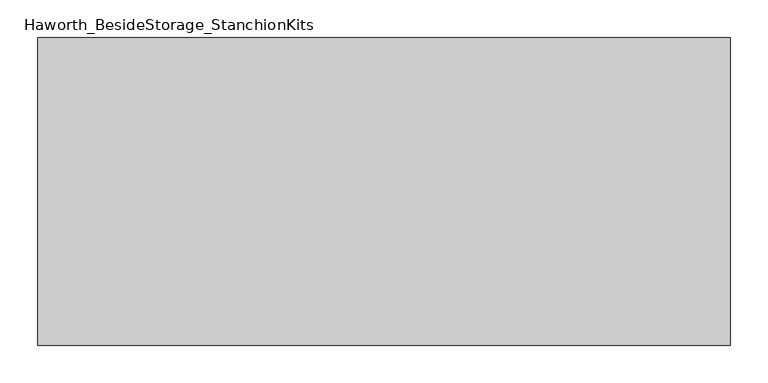
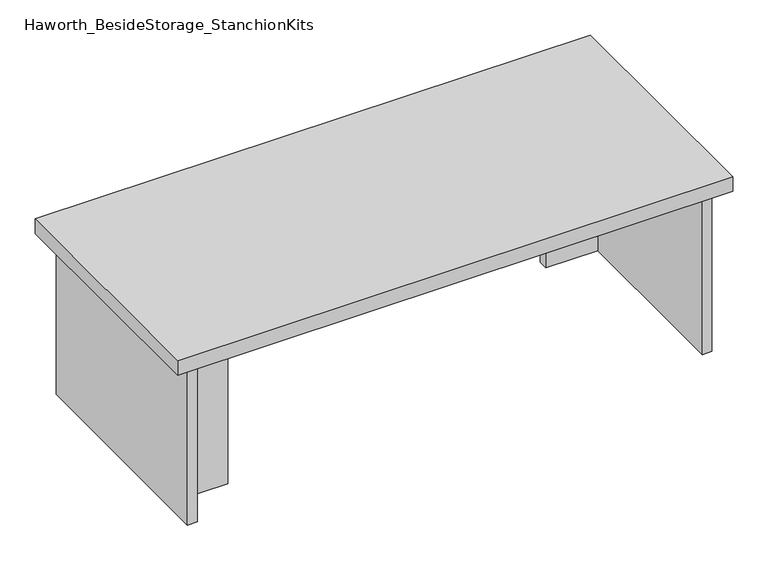
"""IFC4 building model written with IfcOpenShell, lengths in millimetres: furniture geometry, Haworth_BesideStorage_StanchionKits."""

from ifc_helpers import new_model, si_unit, frame, origin, place, context, project, spatial, polyline, outline, extrude, source, transform, mapped, element, save


def haworth_besidestorage_stanchionkits_9893c48e(model_context):
    return source(origin(), model_context, "Body", "SweptSolid", [
        extrude(outline(polyline([(619.125, 0.0), (619.125, -406.4), (-295.275, -406.4), (-295.275, 0.0), (619.125, 0.0)])), frame((0.0, 0.0, 711.2), z_axis=(0.0, 0.0, 1.0), x_axis=(1.0, 0.0, 0.0)), (0.0, 0.0, 1.0), 25.4),
        extrude(outline(polyline([(492.125, -76.2), (577.85, -76.2), (577.85, -92.075), (492.125, -92.075), (492.125, -76.2)])), frame((0.0, 0.0, 431.8), z_axis=(0.0, 0.0, 1.0), x_axis=(1.0, 0.0, 0.0)), (0.0, 0.0, 1.0), 279.4),
        extrude(outline(polyline([(-168.275, -314.325), (-168.275, -330.2), (-254.0, -330.2), (-254.0, -314.325), (-168.275, -314.325)])), frame((0.0, 0.0, 431.8), z_axis=(0.0, 0.0, 1.0), x_axis=(1.0, 0.0, 0.0)), (0.0, 0.0, 1.0), 279.4),
        extrude(outline(polyline([(593.725, -390.525), (577.85, -390.525), (577.85, -15.875), (593.725, -15.875), (593.725, -390.525)])), frame((0.0, 0.0, 431.8), z_axis=(0.0, 0.0, 1.0), x_axis=(1.0, 0.0, 0.0)), (0.0, 0.0, 1.0), 279.4),
        extrude(outline(polyline([(-254.0, -390.525), (-269.875, -390.525), (-269.875, -15.875), (-254.0, -15.875), (-254.0, -390.525)])), frame((0.0, 0.0, 431.8), z_axis=(0.0, 0.0, 1.0), x_axis=(1.0, 0.0, 0.0)), (0.0, 0.0, 1.0), 279.4),
    ])


if __name__ == "__main__":
    model = new_model("IFC4")
    model_context = context("Model", 3, world=origin())
    ifc_project = project(units=[si_unit("LENGTHUNIT", "METRE", prefix="MILLI")], contexts=[model_context])
    site = spatial("IfcSite", under=ifc_project)
    building = spatial("IfcBuilding", under=site)
    placement = place(None, origin())
    haworth_besidestorage_stanchionkits_shape = haworth_besidestorage_stanchionkits_9893c48e(model_context)
    element("IfcFurniture", 1, ObjectType="Haworth_BesideStorage_StanchionKits", at=placement, inside=building, context=model_context, shape_type="MappedRepresentation", body=[
        mapped(haworth_besidestorage_stanchionkits_shape, transform((0.0, 0.0, 0.0), x_axis=(1.0, 0.0, 0.0), y_axis=(0.0, 1.0, 0.0), z_axis=(0.0, 0.0, 1.0))),
    ])
    save(model, "model.ifc")
